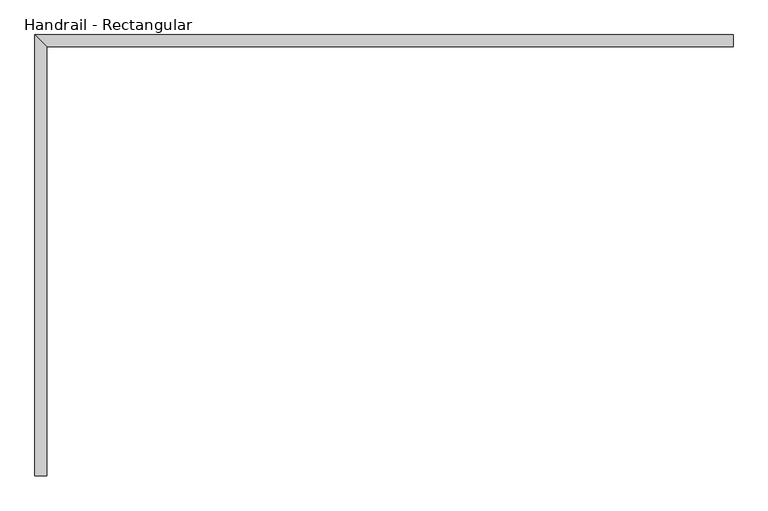
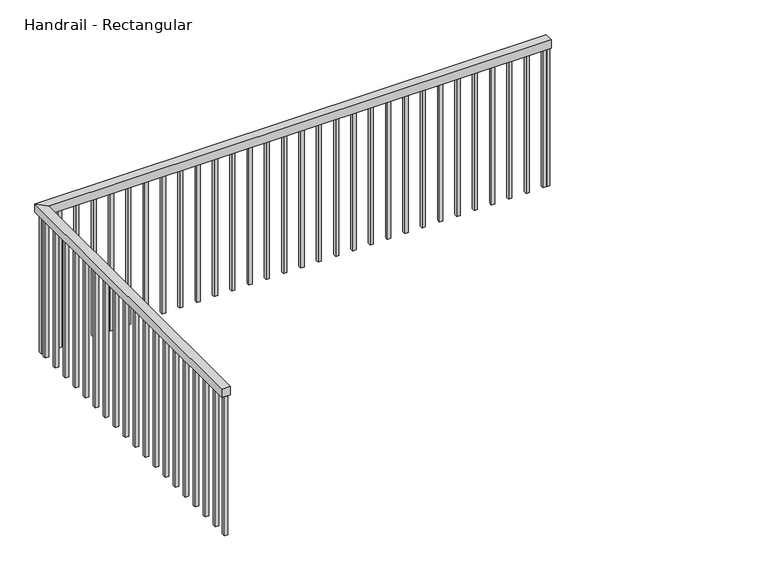
"""IFC4 building model written with IfcOpenShell, lengths in millimetres: railing geometry, Handrail - Rectangular."""

from ifc_helpers import new_model, si_unit, frame, origin, place, context, project, spatial, polyline, outline, extrude, faceted_brep, source, transform, mapped, element, save


def handrail_rectangular_2de386dd(model_context):
    return source(origin(), model_context, "Body", "SolidModel", [
        faceted_brep([(-3486.8931506, 2340.0143899, 1310.8), (-3537.6931506, 2340.0143899, 1310.8), (-3537.6931506, 2340.0143899, 1260.0), (-3486.8931506, 2340.0143899, 1260.0), (-3486.8931506, 4186.2596911, 1310.8), (-3537.6931506, 4237.0596911, 1310.8), (-3537.6931506, 4237.0596911, 1260.0), (-3486.8931506, 4186.2596911, 1260.0), (-537.6931506, 4186.2596911, 1310.8), (-537.6931506, 4186.2596911, 1260.0), (-537.6931506, 4237.0596911, 1260.0), (-537.6931506, 4237.0596911, 1310.8)], [[[0, 1, 2, 3]], [[1, 0, 4, 5]], [[2, 1, 5, 6]], [[3, 2, 6, 7]], [[0, 3, 7, 4]], [[8, 9, 10, 11]], [[5, 4, 8, 11]], [[6, 5, 11, 10]], [[7, 6, 10, 9]], [[4, 7, 9, 8]]]),
        extrude(outline(polyline([(-575.4181506, 4202.1346911), (-575.4181506, 4221.1846911), (-556.3681506, 4221.1846911), (-556.3681506, 4202.1346911), (-575.4181506, 4202.1346911)])), frame((0.0, 0.0, 396.4), z_axis=(0.0, 0.0, 1.0), x_axis=(1.0, 0.0, 0.0)), (0.0, 0.0, 1.0), 863.6),
        extrude(outline(polyline([(-677.0181506, 4202.1346911), (-677.0181506, 4221.1846911), (-657.9681506, 4221.1846911), (-657.9681506, 4202.1346911), (-677.0181506, 4202.1346911)])), frame((0.0, 0.0, 396.4), z_axis=(0.0, 0.0, 1.0), x_axis=(1.0, 0.0, 0.0)), (0.0, 0.0, 1.0), 863.6),
        extrude(outline(polyline([(-778.6181506, 4202.1346911), (-778.6181506, 4221.1846911), (-759.5681506, 4221.1846911), (-759.5681506, 4202.1346911), (-778.6181506, 4202.1346911)])), frame((0.0, 0.0, 396.4), z_axis=(0.0, 0.0, 1.0), x_axis=(1.0, 0.0, 0.0)), (0.0, 0.0, 1.0), 863.6),
        extrude(outline(polyline([(-880.2181506, 4202.1346911), (-880.2181506, 4221.1846911), (-861.1681506, 4221.1846911), (-861.1681506, 4202.1346911), (-880.2181506, 4202.1346911)])), frame((0.0, 0.0, 396.4), z_axis=(0.0, 0.0, 1.0), x_axis=(1.0, 0.0, 0.0)), (0.0, 0.0, 1.0), 863.6),
        extrude(outline(polyline([(-981.8181506, 4202.1346911), (-981.8181506, 4221.1846911), (-962.7681506, 4221.1846911), (-962.7681506, 4202.1346911), (-981.8181506, 4202.1346911)])), frame((0.0, 0.0, 396.4), z_axis=(0.0, 0.0, 1.0), x_axis=(1.0, 0.0, 0.0)), (0.0, 0.0, 1.0), 863.6),
        extrude(outline(polyline([(-1083.4181506, 4202.1346911), (-1083.4181506, 4221.1846911), (-1064.3681506, 4221.1846911), (-1064.3681506, 4202.1346911), (-1083.4181506, 4202.1346911)])), frame((0.0, 0.0, 396.4), z_axis=(0.0, 0.0, 1.0), x_axis=(1.0, 0.0, 0.0)), (0.0, 0.0, 1.0), 863.6),
        extrude(outline(polyline([(-1185.0181506, 4202.1346911), (-1185.0181506, 4221.1846911), (-1165.9681506, 4221.1846911), (-1165.9681506, 4202.1346911), (-1185.0181506, 4202.1346911)])), frame((0.0, 0.0, 396.4), z_axis=(0.0, 0.0, 1.0), x_axis=(1.0, 0.0, 0.0)), (0.0, 0.0, 1.0), 863.6),
        extrude(outline(polyline([(-1286.6181506, 4202.1346911), (-1286.6181506, 4221.1846911), (-1267.5681506, 4221.1846911), (-1267.5681506, 4202.1346911), (-1286.6181506, 4202.1346911)])), frame((0.0, 0.0, 396.4), z_axis=(0.0, 0.0, 1.0), x_axis=(1.0, 0.0, 0.0)), (0.0, 0.0, 1.0), 863.6),
        extrude(outline(polyline([(-1388.2181506, 4202.1346911), (-1388.2181506, 4221.1846911), (-1369.1681506, 4221.1846911), (-1369.1681506, 4202.1346911), (-1388.2181506, 4202.1346911)])), frame((0.0, 0.0, 396.4), z_axis=(0.0, 0.0, 1.0), x_axis=(1.0, 0.0, 0.0)), (0.0, 0.0, 1.0), 863.6),
        extrude(outline(polyline([(-1489.8181506, 4202.1346911), (-1489.8181506, 4221.1846911), (-1470.7681506, 4221.1846911), (-1470.7681506, 4202.1346911), (-1489.8181506, 4202.1346911)])), frame((0.0, 0.0, 396.4), z_axis=(0.0, 0.0, 1.0), x_axis=(1.0, 0.0, 0.0)), (0.0, 0.0, 1.0), 863.6),
        extrude(outline(polyline([(-1591.4181506, 4202.1346911), (-1591.4181506, 4221.1846911), (-1572.3681506, 4221.1846911), (-1572.3681506, 4202.1346911), (-1591.4181506, 4202.1346911)])), frame((0.0, 0.0, 396.4), z_axis=(0.0, 0.0, 1.0), x_axis=(1.0, 0.0, 0.0)), (0.0, 0.0, 1.0), 863.6),
        extrude(outline(polyline([(-1693.0181506, 4202.1346911), (-1693.0181506, 4221.1846911), (-1673.9681506, 4221.1846911), (-1673.9681506, 4202.1346911), (-1693.0181506, 4202.1346911)])), frame((0.0, 0.0, 396.4), z_axis=(0.0, 0.0, 1.0), x_axis=(1.0, 0.0, 0.0)), (0.0, 0.0, 1.0), 863.6),
        extrude(outline(polyline([(-1794.6181506, 4202.1346911), (-1794.6181506, 4221.1846911), (-1775.5681506, 4221.1846911), (-1775.5681506, 4202.1346911), (-1794.6181506, 4202.1346911)])), frame((0.0, 0.0, 396.4), z_axis=(0.0, 0.0, 1.0), x_axis=(1.0, 0.0, 0.0)), (0.0, 0.0, 1.0), 863.6),
        extrude(outline(polyline([(-1896.2181506, 4202.1346911), (-1896.2181506, 4221.1846911), (-1877.1681506, 4221.1846911), (-1877.1681506, 4202.1346911), (-1896.2181506, 4202.1346911)])), frame((0.0, 0.0, 396.4), z_axis=(0.0, 0.0, 1.0), x_axis=(1.0, 0.0, 0.0)), (0.0, 0.0, 1.0), 863.6),
        extrude(outline(polyline([(-1997.8181506, 4202.1346911), (-1997.8181506, 4221.1846911), (-1978.7681506, 4221.1846911), (-1978.7681506, 4202.1346911), (-1997.8181506, 4202.1346911)])), frame((0.0, 0.0, 396.4), z_axis=(0.0, 0.0, 1.0), x_axis=(1.0, 0.0, 0.0)), (0.0, 0.0, 1.0), 863.6),
        extrude(outline(polyline([(-2099.4181506, 4202.1346911), (-2099.4181506, 4221.1846911), (-2080.3681506, 4221.1846911), (-2080.3681506, 4202.1346911), (-2099.4181506, 4202.1346911)])), frame((0.0, 0.0, 396.4), z_axis=(0.0, 0.0, 1.0), x_axis=(1.0, 0.0, 0.0)), (0.0, 0.0, 1.0), 863.6),
        extrude(outline(polyline([(-2201.0181506, 4202.1346911), (-2201.0181506, 4221.1846911), (-2181.9681506, 4221.1846911), (-2181.9681506, 4202.1346911), (-2201.0181506, 4202.1346911)])), frame((0.0, 0.0, 396.4), z_axis=(0.0, 0.0, 1.0), x_axis=(1.0, 0.0, 0.0)), (0.0, 0.0, 1.0), 863.6),
        extrude(outline(polyline([(-2302.6181506, 4202.1346911), (-2302.6181506, 4221.1846911), (-2283.5681506, 4221.1846911), (-2283.5681506, 4202.1346911), (-2302.6181506, 4202.1346911)])), frame((0.0, 0.0, 396.4), z_axis=(0.0, 0.0, 1.0), x_axis=(1.0, 0.0, 0.0)), (0.0, 0.0, 1.0), 863.6),
        extrude(outline(polyline([(-2404.2181506, 4202.1346911), (-2404.2181506, 4221.1846911), (-2385.1681506, 4221.1846911), (-2385.1681506, 4202.1346911), (-2404.2181506, 4202.1346911)])), frame((0.0, 0.0, 396.4), z_axis=(0.0, 0.0, 1.0), x_axis=(1.0, 0.0, 0.0)), (0.0, 0.0, 1.0), 863.6),
        extrude(outline(polyline([(-2505.8181506, 4202.1346911), (-2505.8181506, 4221.1846911), (-2486.7681506, 4221.1846911), (-2486.7681506, 4202.1346911), (-2505.8181506, 4202.1346911)])), frame((0.0, 0.0, 396.4), z_axis=(0.0, 0.0, 1.0), x_axis=(1.0, 0.0, 0.0)), (0.0, 0.0, 1.0), 863.6),
        extrude(outline(polyline([(-2607.4181506, 4202.1346911), (-2607.4181506, 4221.1846911), (-2588.3681506, 4221.1846911), (-2588.3681506, 4202.1346911), (-2607.4181506, 4202.1346911)])), frame((0.0, 0.0, 396.4), z_axis=(0.0, 0.0, 1.0), x_axis=(1.0, 0.0, 0.0)), (0.0, 0.0, 1.0), 863.6),
        extrude(outline(polyline([(-2709.0181506, 4202.1346911), (-2709.0181506, 4221.1846911), (-2689.9681506, 4221.1846911), (-2689.9681506, 4202.1346911), (-2709.0181506, 4202.1346911)])), frame((0.0, 0.0, 396.4), z_axis=(0.0, 0.0, 1.0), x_axis=(1.0, 0.0, 0.0)), (0.0, 0.0, 1.0), 863.6),
        extrude(outline(polyline([(-2810.6181506, 4202.1346911), (-2810.6181506, 4221.1846911), (-2791.5681506, 4221.1846911), (-2791.5681506, 4202.1346911), (-2810.6181506, 4202.1346911)])), frame((0.0, 0.0, 396.4), z_axis=(0.0, 0.0, 1.0), x_axis=(1.0, 0.0, 0.0)), (0.0, 0.0, 1.0), 863.6),
        extrude(outline(polyline([(-2912.2181506, 4202.1346911), (-2912.2181506, 4221.1846911), (-2893.1681506, 4221.1846911), (-2893.1681506, 4202.1346911), (-2912.2181506, 4202.1346911)])), frame((0.0, 0.0, 396.4), z_axis=(0.0, 0.0, 1.0), x_axis=(1.0, 0.0, 0.0)), (0.0, 0.0, 1.0), 863.6),
        extrude(outline(polyline([(-3013.8181506, 4202.1346911), (-3013.8181506, 4221.1846911), (-2994.7681506, 4221.1846911), (-2994.7681506, 4202.1346911), (-3013.8181506, 4202.1346911)])), frame((0.0, 0.0, 396.4), z_axis=(0.0, 0.0, 1.0), x_axis=(1.0, 0.0, 0.0)), (0.0, 0.0, 1.0), 863.6),
        extrude(outline(polyline([(-3115.4181506, 4202.1346911), (-3115.4181506, 4221.1846911), (-3096.3681506, 4221.1846911), (-3096.3681506, 4202.1346911), (-3115.4181506, 4202.1346911)])), frame((0.0, 0.0, 396.4), z_axis=(0.0, 0.0, 1.0), x_axis=(1.0, 0.0, 0.0)), (0.0, 0.0, 1.0), 863.6),
        extrude(outline(polyline([(-3217.0181506, 4202.1346911), (-3217.0181506, 4221.1846911), (-3197.9681506, 4221.1846911), (-3197.9681506, 4202.1346911), (-3217.0181506, 4202.1346911)])), frame((0.0, 0.0, 396.4), z_axis=(0.0, 0.0, 1.0), x_axis=(1.0, 0.0, 0.0)), (0.0, 0.0, 1.0), 863.6),
        extrude(outline(polyline([(-3318.6181506, 4202.1346911), (-3318.6181506, 4221.1846911), (-3299.5681506, 4221.1846911), (-3299.5681506, 4202.1346911), (-3318.6181506, 4202.1346911)])), frame((0.0, 0.0, 396.4), z_axis=(0.0, 0.0, 1.0), x_axis=(1.0, 0.0, 0.0)), (0.0, 0.0, 1.0), 863.6),
        extrude(outline(polyline([(-3420.2181506, 4202.1346911), (-3420.2181506, 4221.1846911), (-3401.1681506, 4221.1846911), (-3401.1681506, 4202.1346911), (-3420.2181506, 4202.1346911)])), frame((0.0, 0.0, 396.4), z_axis=(0.0, 0.0, 1.0), x_axis=(1.0, 0.0, 0.0)), (0.0, 0.0, 1.0), 863.6),
        extrude(outline(polyline([(-3502.7681506, 4159.2893899), (-3521.8181506, 4159.2893899), (-3521.8181506, 4178.3393899), (-3502.7681506, 4178.3393899), (-3502.7681506, 4159.2893899)])), frame((0.0, 0.0, 396.4), z_axis=(0.0, 0.0, 1.0), x_axis=(1.0, 0.0, 0.0)), (0.0, 0.0, 1.0), 863.6),
        extrude(outline(polyline([(-3502.7681506, 4057.6893899), (-3521.8181506, 4057.6893899), (-3521.8181506, 4076.7393899), (-3502.7681506, 4076.7393899), (-3502.7681506, 4057.6893899)])), frame((0.0, 0.0, 396.4), z_axis=(0.0, 0.0, 1.0), x_axis=(1.0, 0.0, 0.0)), (0.0, 0.0, 1.0), 863.6),
        extrude(outline(polyline([(-3502.7681506, 3956.0893899), (-3521.8181506, 3956.0893899), (-3521.8181506, 3975.1393899), (-3502.7681506, 3975.1393899), (-3502.7681506, 3956.0893899)])), frame((0.0, 0.0, 396.4), z_axis=(0.0, 0.0, 1.0), x_axis=(1.0, 0.0, 0.0)), (0.0, 0.0, 1.0), 863.6),
        extrude(outline(polyline([(-3502.7681506, 3854.4893899), (-3521.8181506, 3854.4893899), (-3521.8181506, 3873.5393899), (-3502.7681506, 3873.5393899), (-3502.7681506, 3854.4893899)])), frame((0.0, 0.0, 396.4), z_axis=(0.0, 0.0, 1.0), x_axis=(1.0, 0.0, 0.0)), (0.0, 0.0, 1.0), 863.6),
        extrude(outline(polyline([(-3502.7681506, 3752.8893899), (-3521.8181506, 3752.8893899), (-3521.8181506, 3771.9393899), (-3502.7681506, 3771.9393899), (-3502.7681506, 3752.8893899)])), frame((0.0, 0.0, 396.4), z_axis=(0.0, 0.0, 1.0), x_axis=(1.0, 0.0, 0.0)), (0.0, 0.0, 1.0), 863.6),
        extrude(outline(polyline([(-3502.7681506, 3651.2893899), (-3521.8181506, 3651.2893899), (-3521.8181506, 3670.3393899), (-3502.7681506, 3670.3393899), (-3502.7681506, 3651.2893899)])), frame((0.0, 0.0, 396.4), z_axis=(0.0, 0.0, 1.0), x_axis=(1.0, 0.0, 0.0)), (0.0, 0.0, 1.0), 863.6),
        extrude(outline(polyline([(-3502.7681506, 3549.6893899), (-3521.8181506, 3549.6893899), (-3521.8181506, 3568.7393899), (-3502.7681506, 3568.7393899), (-3502.7681506, 3549.6893899)])), frame((0.0, 0.0, 396.4), z_axis=(0.0, 0.0, 1.0), x_axis=(1.0, 0.0, 0.0)), (0.0, 0.0, 1.0), 863.6),
        extrude(outline(polyline([(-3502.7681506, 3448.0893899), (-3521.8181506, 3448.0893899), (-3521.8181506, 3467.1393899), (-3502.7681506, 3467.1393899), (-3502.7681506, 3448.0893899)])), frame((0.0, 0.0, 396.4), z_axis=(0.0, 0.0, 1.0), x_axis=(1.0, 0.0, 0.0)), (0.0, 0.0, 1.0), 863.6),
        extrude(outline(polyline([(-3502.7681506, 3346.4893899), (-3521.8181506, 3346.4893899), (-3521.8181506, 3365.5393899), (-3502.7681506, 3365.5393899), (-3502.7681506, 3346.4893899)])), frame((0.0, 0.0, 396.4), z_axis=(0.0, 0.0, 1.0), x_axis=(1.0, 0.0, 0.0)), (0.0, 0.0, 1.0), 863.6),
        extrude(outline(polyline([(-3502.7681506, 3244.8893899), (-3521.8181506, 3244.8893899), (-3521.8181506, 3263.9393899), (-3502.7681506, 3263.9393899), (-3502.7681506, 3244.8893899)])), frame((0.0, 0.0, 396.4), z_axis=(0.0, 0.0, 1.0), x_axis=(1.0, 0.0, 0.0)), (0.0, 0.0, 1.0), 863.6),
        extrude(outline(polyline([(-3502.7681506, 3143.2893899), (-3521.8181506, 3143.2893899), (-3521.8181506, 3162.3393899), (-3502.7681506, 3162.3393899), (-3502.7681506, 3143.2893899)])), frame((0.0, 0.0, 396.4), z_axis=(0.0, 0.0, 1.0), x_axis=(1.0, 0.0, 0.0)), (0.0, 0.0, 1.0), 863.6),
        extrude(outline(polyline([(-3502.7681506, 3041.6893899), (-3521.8181506, 3041.6893899), (-3521.8181506, 3060.7393899), (-3502.7681506, 3060.7393899), (-3502.7681506, 3041.6893899)])), frame((0.0, 0.0, 396.4), z_axis=(0.0, 0.0, 1.0), x_axis=(1.0, 0.0, 0.0)), (0.0, 0.0, 1.0), 863.6),
        extrude(outline(polyline([(-3502.7681506, 2940.0893899), (-3521.8181506, 2940.0893899), (-3521.8181506, 2959.1393899), (-3502.7681506, 2959.1393899), (-3502.7681506, 2940.0893899)])), frame((0.0, 0.0, 396.4), z_axis=(0.0, 0.0, 1.0), x_axis=(1.0, 0.0, 0.0)), (0.0, 0.0, 1.0), 863.6),
        extrude(outline(polyline([(-3502.7681506, 2838.4893899), (-3521.8181506, 2838.4893899), (-3521.8181506, 2857.5393899), (-3502.7681506, 2857.5393899), (-3502.7681506, 2838.4893899)])), frame((0.0, 0.0, 396.4), z_axis=(0.0, 0.0, 1.0), x_axis=(1.0, 0.0, 0.0)), (0.0, 0.0, 1.0), 863.6),
        extrude(outline(polyline([(-3502.7681506, 2736.8893899), (-3521.8181506, 2736.8893899), (-3521.8181506, 2755.9393899), (-3502.7681506, 2755.9393899), (-3502.7681506, 2736.8893899)])), frame((0.0, 0.0, 396.4), z_axis=(0.0, 0.0, 1.0), x_axis=(1.0, 0.0, 0.0)), (0.0, 0.0, 1.0), 863.6),
        extrude(outline(polyline([(-3502.7681506, 2635.2893899), (-3521.8181506, 2635.2893899), (-3521.8181506, 2654.3393899), (-3502.7681506, 2654.3393899), (-3502.7681506, 2635.2893899)])), frame((0.0, 0.0, 396.4), z_axis=(0.0, 0.0, 1.0), x_axis=(1.0, 0.0, 0.0)), (0.0, 0.0, 1.0), 863.6),
        extrude(outline(polyline([(-3502.7681506, 2533.6893899), (-3521.8181506, 2533.6893899), (-3521.8181506, 2552.7393899), (-3502.7681506, 2552.7393899), (-3502.7681506, 2533.6893899)])), frame((0.0, 0.0, 396.4), z_axis=(0.0, 0.0, 1.0), x_axis=(1.0, 0.0, 0.0)), (0.0, 0.0, 1.0), 863.6),
        extrude(outline(polyline([(-3502.7681506, 2432.0893899), (-3521.8181506, 2432.0893899), (-3521.8181506, 2451.1393899), (-3502.7681506, 2451.1393899), (-3502.7681506, 2432.0893899)])), frame((0.0, 0.0, 396.4), z_axis=(0.0, 0.0, 1.0), x_axis=(1.0, 0.0, 0.0)), (0.0, 0.0, 1.0), 863.6),
        extrude(outline(polyline([(-3502.7681506, 4202.1346911), (-3521.8181506, 4202.1346911), (-3521.8181506, 4221.1846911), (-3502.7681506, 4221.1846911), (-3502.7681506, 4202.1346911)])), frame((0.0, 0.0, 396.4), z_axis=(0.0, 0.0, 1.0), x_axis=(1.0, 0.0, 0.0)), (0.0, 0.0, 1.0), 863.6),
        extrude(outline(polyline([(-556.7431506, 4202.1346911), (-556.7431506, 4221.1846911), (-537.6931506, 4221.1846911), (-537.6931506, 4202.1346911), (-556.7431506, 4202.1346911)])), frame((0.0, 0.0, 396.4), z_axis=(0.0, 0.0, 1.0), x_axis=(1.0, 0.0, 0.0)), (0.0, 0.0, 1.0), 863.6),
        extrude(outline(polyline([(-3502.7681506, 2340.0143899), (-3521.8181506, 2340.0143899), (-3521.8181506, 2359.0643899), (-3502.7681506, 2359.0643899), (-3502.7681506, 2340.0143899)])), frame((0.0, 0.0, 396.4), z_axis=(0.0, 0.0, 1.0), x_axis=(1.0, 0.0, 0.0)), (0.0, 0.0, 1.0), 863.6),
    ])


if __name__ == "__main__":
    model = new_model("IFC4")
    model_context = context("Model", 3, world=origin())
    ifc_project = project(units=[si_unit("LENGTHUNIT", "METRE", prefix="MILLI")], contexts=[model_context])
    site = spatial("IfcSite", under=ifc_project)
    building = spatial("IfcBuilding", under=site)
    placement = place(None, origin())
    handrail_rectangular_shape = handrail_rectangular_2de386dd(model_context)
    element("IfcRailing", 1, ObjectType="Handrail - Rectangular", at=placement, inside=building, context=model_context, shape_type="MappedRepresentation", body=[
        mapped(handrail_rectangular_shape, transform((0.0, 0.0, 0.0), x_axis=(1.0, 0.0, 0.0), y_axis=(0.0, 1.0, 0.0), z_axis=(0.0, 0.0, 1.0))),
    ])
    save(model, "model.ifc")
